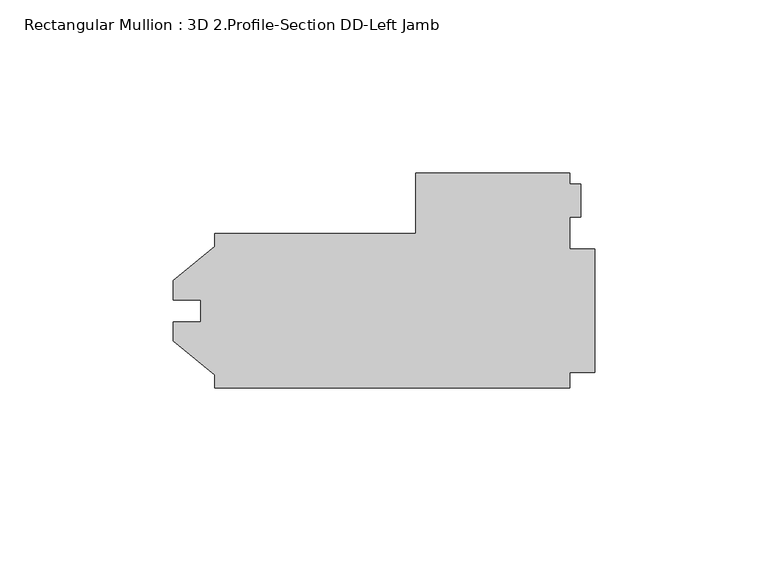
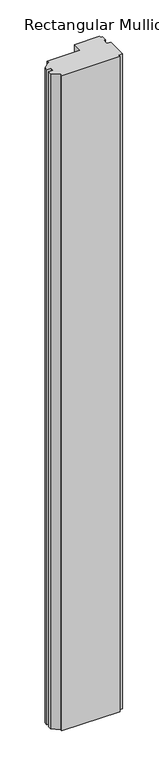
"""IFC4 building model written with IfcOpenShell, lengths in millimetres: member geometry, Rectangular Mullion : 3D 2.Profile-Section DD-Left Jamb."""

from ifc_helpers import new_model, si_unit, frame, origin, place, context, project, spatial, polyline, outline, extrude, source, transform, mapped, element, save


def rectangular_mullion_3d_2_profile_section_dd_left_jamb_78b2f2de(model_context):
    return source(origin(), model_context, "Body", "SweptSolid", [
        extrude(outline(polyline([(-109.5248, -22.2123), (-109.5248, -18.506136), (-121.43105, -8.7376), (-121.43105, -3.1623), (-113.4872, -3.1623), (-113.4872, 3.1877), (-121.43105, 3.1877), (-121.43105, 8.763), (-109.5248, 18.531536), (-109.5248, 22.2377), (-51.5874, 22.2377), (-51.5874, 39.6875), (-7.1924372, 39.6875), (-7.1924372, 36.5125), (-3.9624, 36.5125), (-3.9624, 26.9956909), (-7.1374, 26.9956909), (-7.1374, 17.872075), (0.0, 17.872075), (0.0, -17.846675), (-7.1374, -17.846675), (-7.1374, -22.2123), (-109.5248, -22.2123)])), frame((0.0, 0.0, -1219.2), z_axis=(0.0, 0.0, 1.0), x_axis=(1.0, 0.0, 0.0)), (0.0, 0.0, 1.0), 1219.2),
    ])


if __name__ == "__main__":
    model = new_model("IFC4")
    model_context = context("Model", 3, world=origin())
    ifc_project = project(units=[si_unit("LENGTHUNIT", "METRE", prefix="MILLI")], contexts=[model_context])
    site = spatial("IfcSite", under=ifc_project)
    building = spatial("IfcBuilding", under=site)
    placement = place(None, origin())
    rectangular_mullion_3d_2_profile_section_dd_left_jamb_shape = rectangular_mullion_3d_2_profile_section_dd_left_jamb_78b2f2de(model_context)
    element("IfcMember", 1, ObjectType="Rectangular Mullion : 3D 2.Profile-Section DD-Left Jamb", at=placement, inside=building, context=model_context, shape_type="MappedRepresentation", body=[
        mapped(rectangular_mullion_3d_2_profile_section_dd_left_jamb_shape, transform((0.0, 0.0, 0.0), x_axis=(1.0, 0.0, 0.0), y_axis=(0.0, 1.0, 0.0), z_axis=(0.0, 0.0, 1.0))),
    ])
    save(model, "model.ifc")
